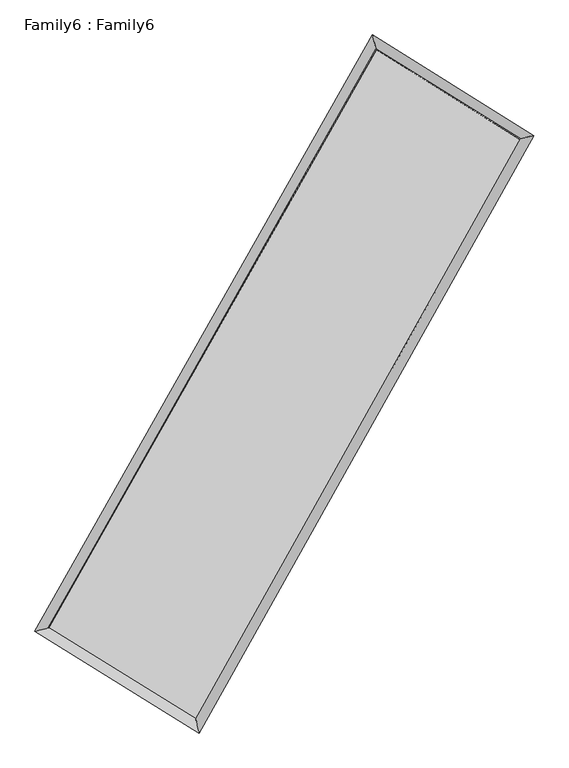
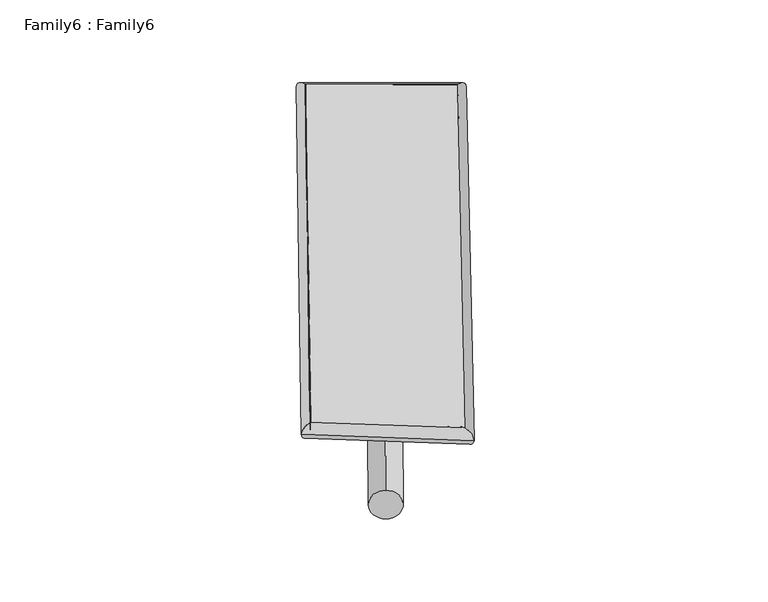
"""IFC4 building model written with IfcOpenShell, lengths in millimetres: plate geometry, Family6 : Family6."""

from ifc_helpers import new_model, si_unit, point, frame, origin, origin_2d, place, context, project, spatial, circle_curve, ellipse_curve, trimmed, segment, composite_curve, outline, extrude, source, transform, mapped, element, save
from ifc_brep_helpers import plane_surface, cylinder_surface, spline_surface, advanced_brep


def family6_family6_1c1a2cc5(model_context):
    return source(origin(), model_context, "Body", "SolidModel", [
        extrude(outline(composite_curve([segment(trimmed(circle_curve(origin_2d(), 76.2), [point((-75.4341514, -10.7763073))], [point((75.4341514, 10.7763073))], False, "CARTESIAN"), True, "CONTINUOUS"), segment(trimmed(circle_curve(origin_2d(), 76.2), [point((75.4341514, 10.7763073))], [point((-75.4341514, -10.7763073))], False, "CARTESIAN"), True, "CONTINUOUS")], self_intersect=False)), frame((9144.0, 9144.0, 0.0), z_axis=(0.6655635175101722, 0.6913897500314268, 0.2810790239611775), x_axis=(-0.6838887678477876, 0.715777369434725, -0.1412760086381983)), (0.0, 0.0, 1.0), 5522.4403965),
        extrude(outline(composite_curve([segment(trimmed(circle_curve(origin_2d(), 76.2), [point((-53.8815367, 53.8815367))], [point((53.8815367, -53.8815367))], False, "CARTESIAN"), True, "CONTINUOUS"), segment(trimmed(circle_curve(origin_2d(), 76.2), [point((53.8815367, -53.8815367))], [point((-53.8815367, 53.8815367))], False, "CARTESIAN"), True, "CONTINUOUS")], self_intersect=False)), frame((9144.0, 9144.0, 0.0), z_axis=(-0.6689068651851566, -0.6883909057121786, 0.28050234694371634), x_axis=(0.6469690875137074, -0.3533182710040734, 0.67571976378997)), (0.0, 0.0, 1.0), 5532.9826956),
        extrude(outline(composite_curve([segment(trimmed(circle_curve(origin_2d(), 76.2), [point((-53.8815368, -53.8815368))], [point((53.8815368, 53.8815368))], False, "CARTESIAN"), True, "CONTINUOUS"), segment(trimmed(circle_curve(origin_2d(), 76.2), [point((53.8815368, 53.8815368))], [point((-53.8815368, -53.8815368))], False, "CARTESIAN"), True, "CONTINUOUS")], self_intersect=False)), frame((9144.0, 9144.0, 0.0), z_axis=(0.2526253777493501, 0.9303625253938822, 0.2657178764398743), x_axis=(-0.8429067984424352, 0.3464554770881982, -0.411675517288936)), (0.0, 0.0, 1.0), 5617.463379),
        extrude(outline(composite_curve([segment(trimmed(circle_curve(origin_2d(), 76.2), [point((-75.4341514, 10.7763073))], [point((75.4341514, -10.7763073))], False, "CARTESIAN"), True, "CONTINUOUS"), segment(trimmed(circle_curve(origin_2d(), 76.2), [point((75.4341514, -10.7763073))], [point((-75.4341514, 10.7763073))], False, "CARTESIAN"), True, "CONTINUOUS")], self_intersect=False)), frame((9144.0, 9144.0, 0.0), z_axis=(-0.24836580225479687, -0.9315038876329716, 0.2657347090520753), x_axis=(0.8869917051235573, -0.10844591886069144, 0.4488710257128042)), (0.0, 0.0, 1.0), 5618.888817),
        advanced_brep(
        [(5238.2045857, 5282.7686538, 1547.5460213), (5238.1007642, 5282.6276645, 1557.5234043), (5647.6951942, 5387.5214079, 1556.4832422), (10617.2475303, 14156.8819142, 1498.8749768), (10508.9800859, 14583.6729169, 1486.4459033), (5647.7990157, 5387.6623972, 1546.5058591), (12615.5443785, 12909.8454962, 1551.6408187), (13023.5253325, 13014.4718744, 1552.8434944), (7693.2523099, 4123.2560145, 1494.2666551), (7803.6680325, 3696.7104312, 1492.0009148)],
        [
            (0, 1, ellipse_curve(frame((5442.9498899, 5335.1450309, 1552.0146317), z_axis=(-0.2480440250903312, 0.9686850825846429, 0.011107312679973419), x_axis=(-0.9685008413594172, -0.2482236249696953, 0.019777570452543015)), 211.5495515, 152.4)),
            (1, 2, ellipse_curve(frame((5442.9498899, 5335.1450309, 1552.0146317), z_axis=(-0.2480440250903312, 0.9686850825846429, 0.011107312679973419), x_axis=(-0.9685008413594172, -0.2482236249696953, 0.019777570452543015)), 211.5495515, 152.4)),
            (2, 3),
            (3, 4, ellipse_curve(frame((10563.1138081, 14370.2774156, 1492.66044), z_axis=(-0.9691437453842673, -0.2462013707723877, -0.012053456448332733), x_axis=(0.24594512983671785, -0.9690882158790259, 0.019468511859064973)), 220.251594, 152.4)),
            (4, 0),
            (2, 5, ellipse_curve(frame((5442.9498899, 5335.1450309, 1552.0146317), z_axis=(-0.2480440250903312, 0.9686850825846429, 0.011107312679973419), x_axis=(-0.9685008413594172, -0.2482236249696953, 0.019777570452543015)), 211.5495515, 152.4)),
            (5, 0, ellipse_curve(frame((5442.9498899, 5335.1450309, 1552.0146317), z_axis=(-0.2480440250903312, 0.9686850825846429, 0.011107312679973419), x_axis=(-0.9685008413594172, -0.2482236249696953, 0.019777570452543015)), 211.5495515, 152.4)),
            (4, 3, ellipse_curve(frame((10563.1138081, 14370.2774156, 1492.66044), z_axis=(-0.9691437453842673, -0.2462013707723877, -0.012053456448332733), x_axis=(0.24594512983671785, -0.9690882158790259, 0.019468511859064973)), 220.251594, 152.4)),
            (3, 6),
            (6, 7, ellipse_curve(frame((12819.5348555, 12962.1586853, 1552.2421565), z_axis=(-0.24836226463197875, 0.9685984875105068, -0.011539302372039177), x_axis=(-0.9684040445359494, -0.24855483762087732, -0.020349428042928018)), 210.621698, 152.4)),
            (7, 4),
            (7, 6, ellipse_curve(frame((12819.5348555, 12962.1586853, 1552.2421565), z_axis=(-0.24836226463197875, 0.9685984875105068, -0.011539302372039177), x_axis=(-0.9684040445359494, -0.24855483762087732, -0.020349428042928018)), 210.621698, 152.4)),
            (6, 8),
            (8, 9, ellipse_curve(frame((7748.4601712, 3909.9832228, 1493.133785), z_axis=(0.9680107980717074, 0.2506410967595268, -0.011581685186420894), x_axis=(-0.2503999221894887, 0.9679564110604488, 0.018980654743010427)), 220.3284125, 152.4)),
            (9, 7),
            (9, 8, ellipse_curve(frame((7748.4601712, 3909.9832228, 1493.133785), z_axis=(0.9680107980717074, 0.2506410967595268, -0.011581685186420894), x_axis=(-0.2503999221894887, 0.9679564110604488, 0.018980654743010427)), 220.3284125, 152.4)),
            (8, 5),
            (1, 9),
        ],
        [
            cylinder_surface(frame((5442.9498899, 5335.1450309, 1552.0146317), z_axis=(-0.4930231471589575, -0.8699974208823607, 0.005715244834450689), x_axis=(-0.8695822909932008, 0.4925591858116027, -0.03481504938424445)), 152.4),
            cylinder_surface(frame((10563.1138081, 14370.2774156, 1492.66044), z_axis=(-0.8481476850628134, 0.5292862530029045, -0.02239568495796357), x_axis=(0.5296696453723131, 0.8480252830029057, -0.01741224164230353)), 152.4),
            cylinder_surface(frame((12819.5348555, 12962.1586853, 1552.2421565), z_axis=(0.4887316372938923, 0.8724155746553237, 0.005696648738776012), x_axis=(0.8724329061747216, -0.4887316372938923, -0.0014869201596460595)), 152.4),
            cylinder_surface(frame((7748.4601712, 3909.9832228, 1493.133785), z_axis=(0.8504042822993486, -0.5256813272011294, -0.021718629767760633), x_axis=(-0.525462700142551, -0.8506801699142179, 0.015238086284598468)), 152.4),
        ],
        [
            (0, [[1, 2, 3, 4, 5]]),
            (0, [[6, 7, -5, 8, -3]]),
            (1, [[-4, 9, 10, 11]]),
            (1, [[-8, -11, 12, -9]]),
            (2, [[-10, 13, 14, 15]]),
            (2, [[-12, -15, 16, -13]]),
            (3, [[-14, 17, -6, -2, 18]]),
            (3, [[-16, -18, -1, -7, -17]]),
        ],
    ),
        extrude(outline(composite_curve([segment(trimmed(circle_curve(origin_2d(), 304.8), [point((0.0, -304.8))], [point((0.0, 304.8))], False, "CARTESIAN"), True, "CONTINUOUS"), segment(trimmed(circle_curve(origin_2d(), 304.8), [point((0.0, 304.8))], [point((0.0, -304.8))], False, "CARTESIAN"), True, "CONTINUOUS")], self_intersect=False)), frame((6558.5985555, 4625.2838196, -0.0246963), z_axis=(0.4966135111350398, 0.8679717855642683, 4.743756358726853e-06), x_axis=(-0.8679717855763154, 0.4966135111350399, 1.2611611799933481e-06)), (0.0, 0.0, 1.0), 10412.1268815),
        advanced_brep(
        [(5442.9498899, 5335.1450309, 1552.0146317), (7748.4601712, 3909.9832228, 1493.133785), (7748.4719764, 3909.9791922, 1645.5337845), (5442.9616951, 5335.1410002, 1704.4146312), (12819.5348555, 12962.1586853, 1552.2421565), (12819.5466607, 12962.1546546, 1704.642156), (10563.1138081, 14370.2774156, 1492.66044), (10563.1256133, 14370.2733849, 1645.0604395)],
        [
            (0, 1),
            (1, 2),
            (2, 3),
            (3, 0),
            (1, 4),
            (4, 5),
            (5, 2),
            (4, 6),
            (6, 7),
            (7, 5),
            (6, 0),
            (3, 7),
        ],
        [
            plane_surface(frame((6595.7050306, 4622.5641268, 1522.5742083), z_axis=(-0.5258050157220656, -0.850605128781313, 1.8233071386314706e-05), x_axis=(0.8504042822993488, -0.5256813272011291, -0.021718629767760626))),
            plane_surface(frame((10283.9975134, 8436.070954, 1522.6879707), z_axis=(0.872429952050289, -0.4887391658996671, -8.050607798461892e-05), x_axis=(0.48873163729389196, 0.8724155746553238, 0.005696648738776019))),
            plane_surface(frame((11691.3243318, 13666.2180504, 1522.4512983), z_axis=(0.5294193920026858, 0.84836024601968, -1.857241975094029e-05), x_axis=(-0.8481476850628135, 0.5292862530029043, -0.022395684957963565))),
            plane_surface(frame((8003.031849, 9852.7112232, 1522.3375359), z_axis=(-0.8700114005790318, 0.493031597763433, 8.043225849483368e-05), x_axis=(-0.4930231471589572, -0.8699974208823609, 0.005715244834450698))),
            spline_surface(1, 1, [[(7748.4719764, 3909.9791922, 1645.5337845), (5442.9616951, 5335.1410002, 1704.4146312)], [(12819.5466607, 12962.1546546, 1704.642156), (10563.1256133, 14370.2733849, 1645.0604395)]], [2, 2], [2, 2], [0.0, 1.0], [0.0, 1.0]),
            spline_surface(1, 1, [[(10563.1138081, 14370.2774156, 1492.66044), (5442.9498899, 5335.1450309, 1552.0146317)], [(12819.5348555, 12962.1586853, 1552.2421565), (7748.4601712, 3909.9832228, 1493.133785)]], [2, 2], [2, 2], [0.0, 1.0], [0.0, 1.0]),
        ],
        [
            (0, [[1, 2, 3, 4]]),
            (1, [[5, 6, 7, -2]]),
            (2, [[8, 9, 10, -6]]),
            (3, [[11, -4, 12, -9]]),
            (4, [[-3, -7, -10, -12]]),
            (5, [[-11, -8, -5, -1]]),
        ],
    ),
    ])


if __name__ == "__main__":
    model = new_model("IFC4")
    model_context = context("Model", 3, world=origin())
    ifc_project = project(units=[si_unit("LENGTHUNIT", "METRE", prefix="MILLI")], contexts=[model_context])
    site = spatial("IfcSite", under=ifc_project)
    building = spatial("IfcBuilding", under=site)
    placement = place(None, origin())
    family6_family6_shape = family6_family6_1c1a2cc5(model_context)
    element("IfcPlate", 1, ObjectType="Family6 : Family6", at=placement, inside=building, context=model_context, shape_type="MappedRepresentation", body=[
        mapped(family6_family6_shape, transform((0.0, 0.0, 0.0), x_axis=(1.0, 0.0, 0.0), y_axis=(0.0, 1.0, 0.0), z_axis=(0.0, 0.0, 1.0))),
    ])
    save(model, "model.ifc")
